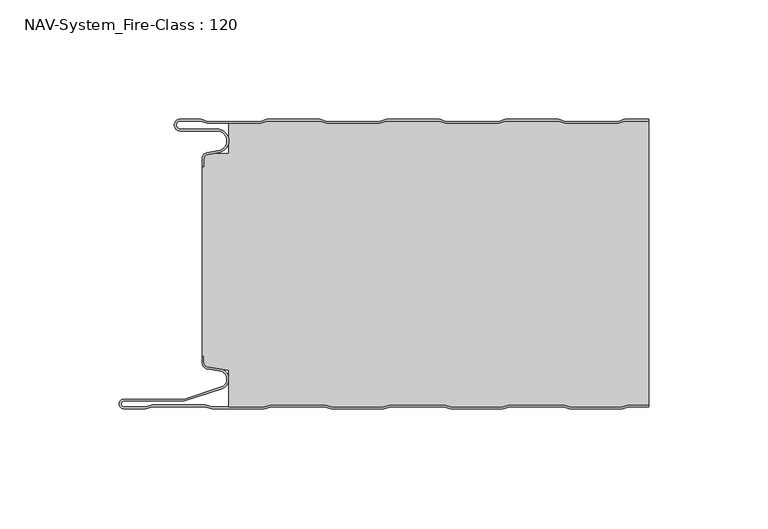
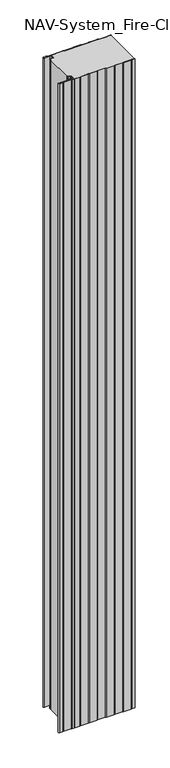
"""IFC4 building model written with IfcOpenShell, lengths in millimetres: plate geometry, NAV-System_Fire-Class : 120."""

from ifc_helpers import new_model, si_unit, frame, origin, place, context, project, spatial, polyline, circle_curve, source, transform, mapped, element, save
from ifc_brep_helpers import plane_surface, cylinder_surface, revolved_surface, advanced_brep


def nav_system_fire_class_120_cbdf3676(model_context):
    return source(origin(), model_context, "Body", "AdvancedBrep", [
        advanced_brep(
        [(-88.6298221, -0.8, 0.0), (-97.0000001, -0.8, 0.0), (-97.0000001, -4.1999999, 0.0), (-81.6002086, -4.1999999, 0.0), (-80.7423864, -14.0049502, 0.0), (-85.6125665, -14.8636946, 0.0), (-87.1000004, -16.6363494, 0.0), (-87.1000014, -19.9421291, 0.0), (-87.9000014, -19.9421291, 0.0), (-87.9000014, -16.6363484, 0.0), (-85.7514853, -14.0758488, 0.0), (-80.8813015, -13.217104, 0.0), (-81.600205, -4.9999999, 0.0), (-97.0000001, -4.9999999, 0.0), (-97.0000001, 0.0, 0.0), (-88.5, 0.0, 0.0), (-85.5, -1.0, 0.0), (-63.5, -1.0, 0.0), (-60.5, 0.0, 0.0), (-38.5, 0.0, 0.0), (-35.5, -1.0, 0.0), (-13.5, -1.0, 0.0), (-10.5, 0.0, 0.0), (11.5, 0.0, 0.0), (14.5, -1.0, 0.0), (36.5, -1.0, 0.0), (39.5, 0.0, 0.0), (61.5, 0.0, 0.0), (64.5, -1.0, 0.0), (86.5, -1.0, 0.0), (89.5, 0.0, 0.0), (99.5, 0.0, 0.0), (99.5, -0.8, 0.0), (89.6298221, -0.8, 0.0), (86.6298221, -1.8, 0.0), (64.3701779, -1.8, 0.0), (61.3701779, -0.8, 0.0), (39.6298221, -0.8, 0.0), (36.6298221, -1.8, 0.0), (14.3701779, -1.8, 0.0), (11.3701779, -0.8, 0.0), (-10.3701779, -0.8, 0.0), (-13.3701779, -1.8, 0.0), (-35.6298221, -1.8, 0.0), (-38.6298221, -0.8, 0.0), (-60.3701779, -0.8, 0.0), (-63.3701779, -1.8, 0.0), (-85.6298221, -1.8, 0.0), (-88.6298221, -0.8, 2000.0), (-85.6298221, -1.8, 2000.0), (-63.3701779, -1.8, 2000.0), (-60.3701779, -0.8, 2000.0), (-38.6298221, -0.8, 2000.0), (-35.6298221, -1.8, 2000.0), (-13.3701779, -1.8, 2000.0), (-10.3701779, -0.8, 2000.0), (11.3701779, -0.8, 2000.0), (14.3701779, -1.8, 2000.0), (36.6298221, -1.8, 2000.0), (39.6298221, -0.8, 2000.0), (61.3701779, -0.8, 2000.0), (64.3701779, -1.8, 2000.0), (86.6298221, -1.8, 2000.0), (89.6298221, -0.8, 2000.0), (99.5, -0.8, 2000.0), (99.5, 0.0, 2000.0), (89.5, 0.0, 2000.0), (86.5, -1.0, 2000.0), (64.5, -1.0, 2000.0), (61.5, 0.0, 2000.0), (39.5, 0.0, 2000.0), (36.5, -1.0, 2000.0), (14.5, -1.0, 2000.0), (11.5, 0.0, 2000.0), (-10.5, 0.0, 2000.0), (-13.5, -1.0, 2000.0), (-35.5, -1.0, 2000.0), (-38.5, 0.0, 2000.0), (-60.5, 0.0, 2000.0), (-63.5, -1.0, 2000.0), (-85.5, -1.0, 2000.0), (-88.5, 0.0, 2000.0), (-97.0000001, 0.0, 2000.0), (-97.0000001, -4.9999999, 2000.0), (-81.600205, -4.9999999, 2000.0), (-80.8813015, -13.217104, 2000.0), (-85.7514853, -14.0758488, 2000.0), (-87.8999997, -16.6363484, 2000.0), (-87.9000014, -19.9421291, 2000.0), (-87.1000014, -19.9421291, 2000.0), (-87.1000014, -16.6363494, 2000.0), (-85.6125665, -14.8636946, 2000.0), (-80.7423864, -14.0049502, 2000.0), (-81.6002086, -4.1999999, 2000.0), (-97.0000001, -4.1999999, 2000.0), (-97.0000001, -0.8000002, 2000.0)],
        [
            (0, 1),
            (1, 2, circle_curve(frame((-97.0000001, -2.5, 0.0), z_axis=(0.0, 0.0, 1.0), x_axis=(1.0, 0.0, 0.0)), 1.6999999)),
            (2, 3),
            (3, 4, circle_curve(frame((-81.6002086, -9.1399999, 0.0), z_axis=(0.0, 0.0, -1.0), x_axis=(1.0, 0.0, 0.0)), 4.94)),
            (4, 5),
            (5, 6, circle_curve(frame((-85.2999995, -16.6363494, 0.0), z_axis=(0.0, 0.0, 1.0), x_axis=(1.0, 0.0, 0.0)), 1.8000009)),
            (6, 7),
            (7, 8),
            (8, 9),
            (9, 10, circle_curve(frame((-85.3000002, -16.6363484, 0.0), z_axis=(0.0, 0.0, -1.0), x_axis=(1.0, 0.0, 0.0)), 2.5999995)),
            (10, 11),
            (11, 12, circle_curve(frame((-81.600205, -9.1399999, 0.0), z_axis=(0.0, 0.0, 1.0), x_axis=(1.0, 0.0, 0.0)), 4.14)),
            (12, 13),
            (13, 14, circle_curve(frame((-97.0000001, -2.4999999, 0.0), z_axis=(0.0, 0.0, -1.0), x_axis=(1.0, 0.0, 0.0)), 2.4999999)),
            (14, 15),
            (15, 16),
            (16, 17),
            (17, 18),
            (18, 19),
            (19, 20),
            (20, 21),
            (21, 22),
            (22, 23),
            (23, 24),
            (24, 25),
            (25, 26),
            (26, 27),
            (27, 28),
            (28, 29),
            (29, 30),
            (30, 31),
            (31, 32),
            (32, 33),
            (33, 34),
            (34, 35),
            (35, 36),
            (36, 37),
            (37, 38),
            (38, 39),
            (39, 40),
            (40, 41),
            (41, 42),
            (42, 43),
            (43, 44),
            (44, 45),
            (45, 46),
            (46, 47),
            (47, 0),
            (48, 49),
            (49, 50),
            (50, 51),
            (51, 52),
            (52, 53),
            (53, 54),
            (54, 55),
            (55, 56),
            (56, 57),
            (57, 58),
            (58, 59),
            (59, 60),
            (60, 61),
            (61, 62),
            (62, 63),
            (63, 64),
            (64, 65),
            (65, 66),
            (66, 67),
            (67, 68),
            (68, 69),
            (69, 70),
            (70, 71),
            (71, 72),
            (72, 73),
            (73, 74),
            (74, 75),
            (75, 76),
            (76, 77),
            (77, 78),
            (78, 79),
            (79, 80),
            (80, 81),
            (81, 82),
            (82, 83, circle_curve(frame((-97.0000001, -2.4999999, 2000.0), z_axis=(0.0, 0.0, 1.0), x_axis=(1.0, 0.0, 0.0)), 2.4999999)),
            (83, 84),
            (84, 85, circle_curve(frame((-81.600205, -9.1399999, 2000.0), z_axis=(0.0, 0.0, -1.0), x_axis=(1.0, 0.0, 0.0)), 4.14)),
            (85, 86),
            (86, 87, circle_curve(frame((-85.3000002, -16.6363484, 2000.0), z_axis=(0.0, 0.0, 1.0), x_axis=(1.0, 0.0, 0.0)), 2.5999995)),
            (87, 88),
            (88, 89),
            (89, 90),
            (90, 91, circle_curve(frame((-85.2999995, -16.6363494, 2000.0), z_axis=(0.0, 0.0, -1.0), x_axis=(1.0, 0.0, 0.0)), 1.8000009)),
            (91, 92),
            (92, 93, circle_curve(frame((-81.6002086, -9.1399999, 2000.0), z_axis=(0.0, 0.0, 1.0), x_axis=(1.0, 0.0, 0.0)), 4.94)),
            (93, 94),
            (94, 95, circle_curve(frame((-97.0000001, -2.5, 2000.0), z_axis=(0.0, 0.0, -1.0), x_axis=(1.0, 0.0, 0.0)), 1.6999999)),
            (95, 48),
            (0, 48),
            (95, 1),
            (14, 82),
            (81, 15),
            (63, 33),
            (32, 64),
            (62, 34),
            (61, 35),
            (60, 36),
            (59, 37),
            (58, 38),
            (57, 39),
            (56, 40),
            (55, 41),
            (54, 42),
            (53, 43),
            (52, 44),
            (51, 45),
            (50, 46),
            (49, 47),
            (80, 16),
            (79, 17),
            (78, 18),
            (77, 19),
            (76, 20),
            (75, 21),
            (74, 22),
            (73, 23),
            (72, 24),
            (71, 25),
            (70, 26),
            (69, 27),
            (68, 28),
            (67, 29),
            (66, 30),
            (65, 31),
            (2, 94),
            (93, 3),
            (6, 90),
            (89, 7),
            (88, 8),
            (87, 9),
            (12, 84),
            (83, 13),
            (92, 4),
            (91, 5),
            (86, 10),
            (85, 11),
        ],
        [
            plane_surface(frame((-99.5, 0.0, 0.0), z_axis=(0.0, 0.0, -1.0), x_axis=(0.0, -1.0, 0.0))),
            plane_surface(frame((-99.5, 0.0, 2000.0), z_axis=(0.0, 0.0, 1.0), x_axis=(0.0, -1.0, 0.0))),
            plane_surface(frame((-88.6298221, -0.8, 0.0), z_axis=(0.0, -1.0, 0.0), x_axis=(0.0, 0.0, 1.0))),
            plane_surface(frame((-97.0000001, 0.0, 0.0), z_axis=(0.0, 1.0, 0.0), x_axis=(0.0, 0.0, 1.0))),
            plane_surface(frame((111.3701779, -0.8, 0.0), z_axis=(0.0, -1.0, 0.0), x_axis=(0.0, 0.0, 1.0))),
            plane_surface(frame((89.6298221, -0.8, 0.0), z_axis=(0.3162277660167413, -0.9486832980505461, 0.0), x_axis=(0.0, 0.0, 1.0))),
            plane_surface(frame((86.6298221, -1.8, 0.0), z_axis=(0.0, -1.0, 0.0), x_axis=(0.0, 0.0, 1.0))),
            plane_surface(frame((64.3701779, -1.8, 0.0), z_axis=(-0.31622776601675356, -0.948683298050542, 0.0), x_axis=(0.0, 0.0, 1.0))),
            plane_surface(frame((61.3701779, -0.8, 0.0), z_axis=(0.0, -1.0, 0.0), x_axis=(0.0, 0.0, 1.0))),
            plane_surface(frame((39.6298221, -0.8, 0.0), z_axis=(0.31622776601679226, -0.9486832980505291, 0.0), x_axis=(0.0, 0.0, 1.0))),
            plane_surface(frame((36.6298221, -1.8, 0.0), z_axis=(0.0, -1.0, 0.0), x_axis=(0.0, 0.0, 1.0))),
            plane_surface(frame((14.3701779, -1.8, 0.0), z_axis=(-0.3162277660168045, -0.948683298050525, 0.0), x_axis=(0.0, 0.0, 1.0))),
            plane_surface(frame((11.3701779, -0.8, 0.0), z_axis=(0.0, -1.0, 0.0), x_axis=(0.0, 0.0, 1.0))),
            plane_surface(frame((-10.3701779, -0.8, 0.0), z_axis=(0.31622776601679226, -0.9486832980505291, 0.0), x_axis=(0.0, 0.0, 1.0))),
            plane_surface(frame((-13.3701779, -1.8, 0.0), z_axis=(0.0, -1.0, 0.0), x_axis=(0.0, 0.0, 1.0))),
            plane_surface(frame((-35.6298221, -1.8, 0.0), z_axis=(-0.3162277660168045, -0.948683298050525, 0.0), x_axis=(0.0, 0.0, 1.0))),
            plane_surface(frame((-38.6298221, -0.8, 0.0), z_axis=(0.0, -1.0, 0.0), x_axis=(0.0, 0.0, 1.0))),
            plane_surface(frame((-60.3701779, -0.8, 0.0), z_axis=(0.3162277660167413, -0.9486832980505461, 0.0), x_axis=(0.0, 0.0, 1.0))),
            plane_surface(frame((-63.3701779, -1.8, 0.0), z_axis=(0.0, -1.0, 0.0), x_axis=(0.0, 0.0, 1.0))),
            plane_surface(frame((-85.6298221, -1.8, 0.0), z_axis=(-0.3162277660167413, -0.9486832980505461, 0.0), x_axis=(0.0, 0.0, 1.0))),
            plane_surface(frame((-88.5, 0.0, 0.0), z_axis=(0.31622776601671865, 0.9486832980505536, 0.0), x_axis=(0.0, 0.0, 1.0))),
            plane_surface(frame((-85.5, -1.0, 0.0), z_axis=(0.0, 1.0, 0.0), x_axis=(0.0, 0.0, 1.0))),
            plane_surface(frame((-63.5, -1.0, 0.0), z_axis=(-0.31622776601671865, 0.9486832980505536, 0.0), x_axis=(0.0, 0.0, 1.0))),
            plane_surface(frame((-60.5, 0.0, 0.0), z_axis=(0.0, 1.0, 0.0), x_axis=(0.0, 0.0, 1.0))),
            plane_surface(frame((-38.5, 0.0, 0.0), z_axis=(0.31622776601678754, 0.9486832980505306, 0.0), x_axis=(0.0, 0.0, 1.0))),
            plane_surface(frame((-35.5, -1.0, 0.0), z_axis=(0.0, 1.0, 0.0), x_axis=(0.0, 0.0, 1.0))),
            plane_surface(frame((-13.5, -1.0, 0.0), z_axis=(-0.3162277660167752, 0.9486832980505348, 0.0), x_axis=(0.0, 0.0, 1.0))),
            plane_surface(frame((-10.5, 0.0, 0.0), z_axis=(0.0, 1.0, 0.0), x_axis=(0.0, 0.0, 1.0))),
            plane_surface(frame((11.5, 0.0, 0.0), z_axis=(0.31622776601678754, 0.9486832980505306, 0.0), x_axis=(0.0, 0.0, 1.0))),
            plane_surface(frame((14.5, -1.0, 0.0), z_axis=(0.0, 1.0, 0.0), x_axis=(0.0, 0.0, 1.0))),
            plane_surface(frame((36.5, -1.0, 0.0), z_axis=(-0.3162277660167752, 0.9486832980505348, 0.0), x_axis=(0.0, 0.0, 1.0))),
            plane_surface(frame((39.5, 0.0, 0.0), z_axis=(0.0, 1.0, 0.0), x_axis=(0.0, 0.0, 1.0))),
            plane_surface(frame((61.5, 0.0, 0.0), z_axis=(0.3162277660167309, 0.9486832980505495, 0.0), x_axis=(0.0, 0.0, 1.0))),
            plane_surface(frame((64.5, -1.0, 0.0), z_axis=(0.0, 1.0, 0.0), x_axis=(0.0, 0.0, 1.0))),
            plane_surface(frame((86.5, -1.0, 0.0), z_axis=(-0.31622776601671865, 0.9486832980505536, 0.0), x_axis=(0.0, 0.0, 1.0))),
            plane_surface(frame((89.5, 0.0, 0.0), z_axis=(0.0, 1.0, 0.0), x_axis=(0.0, 0.0, 1.0))),
            plane_surface(frame((-97.0000001, -4.1999999, 0.0), z_axis=(0.0, 1.0, 0.0), x_axis=(0.0, 0.0, 1.0))),
            plane_surface(frame((-87.1000014, -16.6363494, 0.0), z_axis=(1.0, 0.0, 0.0), x_axis=(0.0, 0.0, 1.0))),
            plane_surface(frame((-87.1000014, -19.9421291, 0.0), z_axis=(0.0, -1.0, 0.0), x_axis=(0.0, 0.0, 1.0))),
            plane_surface(frame((-87.9000014, -19.9421291, 0.0), z_axis=(-1.0, 0.0, 0.0), x_axis=(0.0, 0.0, 1.0))),
            plane_surface(frame((-81.600205, -4.9999999, 0.0), z_axis=(0.0, -1.0, 0.0), x_axis=(0.0, 0.0, 1.0))),
            revolved_surface(polyline([(-95.3000002, -2.5, 2000.0), (-95.3000002, -2.5, 0.0)]), (-97.0000001, -2.5, 0.0), (0.0, 0.0, 1.0)),
            cylinder_surface(frame((-81.6002086, -9.1399999, 0.0), z_axis=(0.0, 0.0, -1.0), x_axis=(1.0, 0.0, 0.0)), 4.94),
            plane_surface(frame((-80.7423864, -14.0049502, 0.0), z_axis=(0.17364822279076972, -0.9848077450556567, 0.0), x_axis=(0.0, 0.0, 1.0))),
            revolved_surface(polyline([(-83.4999986, -16.6363494, 2000.0), (-83.4999986, -16.6363494, 0.0)]), (-85.2999995, -16.6363494, 0.0), (0.0, 0.0, 1.0)),
            cylinder_surface(frame((-85.3000002, -16.6363484, 0.0), z_axis=(0.0, 0.0, -1.0), x_axis=(1.0, 0.0, 0.0)), 2.5999995),
            plane_surface(frame((-85.7514853, -14.0758488, 0.0), z_axis=(-0.17364817295915452, 0.984807753842316, 0.0), x_axis=(0.0, 0.0, 1.0))),
            revolved_surface(polyline([(-77.460205, -9.1399999, 2000.0), (-77.460205, -9.1399999, 0.0)]), (-81.600205, -9.1399999, 0.0), (0.0, 0.0, 1.0)),
            cylinder_surface(frame((-97.0000001, -2.4999999, 0.0), z_axis=(0.0, 0.0, -1.0), x_axis=(1.0, 0.0, 0.0)), 2.4999999),
            plane_surface(frame((99.5, 100.0, 2000.0), z_axis=(1.0, 0.0, 0.0), x_axis=(0.0, 0.0, -1.0))),
        ],
        [
            (0, [[1, 2, 3, 4, 5, 6, 7, 8, 9, 10, 11, 12, 13, 14, 15, 16, 17, 18, 19, 20, 21, 22, 23, 24, 25, 26, 27, 28, 29, 30, 31, 32, 33, 34, 35, 36, 37, 38, 39, 40, 41, 42, 43, 44, 45, 46, 47, 48]]),
            (1, [[49, 50, 51, 52, 53, 54, 55, 56, 57, 58, 59, 60, 61, 62, 63, 64, 65, 66, 67, 68, 69, 70, 71, 72, 73, 74, 75, 76, 77, 78, 79, 80, 81, 82, 83, 84, 85, 86, 87, 88, 89, 90, 91, 92, 93, 94, 95, 96]]),
            (2, [[-1, 97, -96, 98]]),
            (3, [[-15, 99, -82, 100]]),
            (4, [[101, -33, 102, -64]]),
            (5, [[-34, -101, -63, 103]]),
            (6, [[-35, -103, -62, 104]]),
            (7, [[-36, -104, -61, 105]]),
            (8, [[-37, -105, -60, 106]]),
            (9, [[-38, -106, -59, 107]]),
            (10, [[-39, -107, -58, 108]]),
            (11, [[-40, -108, -57, 109]]),
            (12, [[-41, -109, -56, 110]]),
            (13, [[-42, -110, -55, 111]]),
            (14, [[-43, -111, -54, 112]]),
            (15, [[-44, -112, -53, 113]]),
            (16, [[-45, -113, -52, 114]]),
            (17, [[-46, -114, -51, 115]]),
            (18, [[-47, -115, -50, 116]]),
            (19, [[-48, -116, -49, -97]]),
            (20, [[-16, -100, -81, 117]]),
            (21, [[-17, -117, -80, 118]]),
            (22, [[-18, -118, -79, 119]]),
            (23, [[-19, -119, -78, 120]]),
            (24, [[-20, -120, -77, 121]]),
            (25, [[-21, -121, -76, 122]]),
            (26, [[-22, -122, -75, 123]]),
            (27, [[-23, -123, -74, 124]]),
            (28, [[-24, -124, -73, 125]]),
            (29, [[-25, -125, -72, 126]]),
            (30, [[-26, -126, -71, 127]]),
            (31, [[-27, -127, -70, 128]]),
            (32, [[-28, -128, -69, 129]]),
            (33, [[-29, -129, -68, 130]]),
            (34, [[-30, -130, -67, 131]]),
            (35, [[-131, -66, 132, -31]]),
            (36, [[-3, 133, -94, 134]]),
            (37, [[-7, 135, -90, 136]]),
            (38, [[-8, -136, -89, 137]]),
            (39, [[-9, -137, -88, 138]]),
            (40, [[-13, 139, -84, 140]]),
            (41, [[-2, -98, -95, -133]]),
            (42, [[-4, -134, -93, 141]]),
            (43, [[-5, -141, -92, 142]]),
            (44, [[-6, -142, -91, -135]]),
            (45, [[-10, -138, -87, 143]]),
            (46, [[-11, -143, -86, 144]]),
            (47, [[-12, -144, -85, -139]]),
            (48, [[-14, -140, -83, -99]]),
            (49, [[-32, -132, -65, -102]]),
        ],
    ),
        advanced_brep(
        [(89.6181262, -0.8, 2000.0), (86.6181262, -1.8, 2000.0), (64.3584819, -1.8, 2000.0), (61.3584819, -0.8, 2000.0), (39.6181262, -0.8, 2000.0), (36.6181262, -1.8, 2000.0), (14.3584819, -1.8, 2000.0), (11.3584819, -0.8, 2000.0), (-10.3818738, -0.8, 2000.0), (-13.3818738, -1.8, 2000.0), (-35.6415181, -1.8, 2000.0), (-38.6415181, -0.8, 2000.0), (-60.3818738, -0.8, 2000.0), (-63.3818738, -1.8, 2000.0), (-76.6719045, -1.8, 2000.0), (-76.6719045, -14.4343223, 2000.0), (-83.1891722, -14.4343223, 2000.0), (-85.6242625, -14.8636946, 2000.0), (-87.1116964, -16.636349, 2000.0), (-87.1116974, -19.9512003, 2000.0), (-87.9116974, -19.9512003, 2000.0), (-87.9116974, -99.3983656, 2000.0), (-87.1116974, -99.3983656, 2000.0), (-87.1116974, -102.1656409, 2000.0), (-85.4245663, -104.1410176, 2000.0), (-76.6248082, -105.5347623, 2000.0), (-76.6248082, -120.8, 2000.0), (-61.8218295, -120.8, 2000.0), (-58.7610803, -120.0, 2000.0), (-36.5891849, -120.0, 2000.0), (-33.5284357, -120.8, 2000.0), (-11.8218295, -120.8, 2000.0), (-8.7610803, -120.0, 2000.0), (13.4108151, -120.0, 2000.0), (16.4715643, -120.8, 2000.0), (38.1904, -120.8, 2000.0), (41.2511493, -120.0, 2000.0), (63.4108151, -120.0, 2000.0), (66.4715643, -120.8, 2000.0), (88.1781705, -120.8, 2000.0), (91.2389197, -120.0, 2000.0), (99.5, -120.0, 2000.0), (99.5, -0.8, 2000.0), (91.2389197, -120.0, 0.0), (88.1781705, -120.8, 0.0), (66.4715643, -120.8, 0.0), (63.4108151, -120.0, 0.0), (41.2511493, -120.0, 0.0), (38.1904, -120.8, 0.0), (16.4715643, -120.8, 0.0), (13.4108151, -120.0, 0.0), (-8.7610803, -120.0, 0.0), (-11.8218295, -120.8, 0.0), (-33.5284357, -120.8, 0.0), (-36.5891849, -120.0, 0.0), (-58.7610803, -120.0, 0.0), (-61.8218295, -120.8, 0.0), (-76.6248082, -120.8, 0.0), (-76.6248082, -105.5347623, 0.0), (-85.4245663, -104.1410176, 0.0), (-87.1116974, -102.1656409, 0.0), (-87.1116974, -99.3983656, 0.0), (-87.9116974, -99.3983656, 0.0), (-87.9116974, -19.9512003, 0.0), (-87.1116974, -19.9512003, 0.0), (-87.1116974, -16.636349, 0.0), (-85.6242625, -14.8636946, 0.0), (-83.1891722, -14.4343223, 0.0), (-76.6719045, -14.4343223, 0.0), (-76.6719045, -1.8, 0.0), (-63.3818738, -1.8, 0.0), (-60.3818738, -0.8, 0.0), (-38.6415181, -0.8, 0.0), (-35.6415181, -1.8, 0.0), (-13.3818738, -1.8, 0.0), (-10.3818738, -0.8, 0.0), (11.3584819, -0.8, 0.0), (14.3584819, -1.8, 0.0), (36.6181262, -1.8, 0.0), (39.6181262, -0.8, 0.0), (61.3584819, -0.8, 0.0), (64.3584819, -1.8, 0.0), (86.6181262, -1.8, 0.0), (89.6181262, -0.8, 0.0), (99.5, -0.8, 0.0), (99.5, -120.0, 0.0)],
        [
            (0, 1),
            (1, 2),
            (2, 3),
            (3, 4),
            (4, 5),
            (5, 6),
            (6, 7),
            (7, 8),
            (8, 9),
            (9, 10),
            (10, 11),
            (11, 12),
            (12, 13),
            (13, 14),
            (14, 15),
            (15, 16),
            (16, 17),
            (17, 18, circle_curve(frame((-85.3116955, -16.6363494, 2000.0), z_axis=(0.0, 0.0, 1.0), x_axis=(1.0, 0.0, 0.0)), 1.8000009)),
            (18, 19),
            (19, 20),
            (20, 21),
            (21, 22),
            (22, 23),
            (23, 24, circle_curve(frame((-85.1116974, -102.1656409, 2000.0), z_axis=(0.0, 0.0, 1.0), x_axis=(1.0, 0.0, 0.0)), 2.0)),
            (24, 25),
            (25, 26),
            (26, 27),
            (27, 28),
            (28, 29),
            (29, 30),
            (30, 31),
            (31, 32),
            (32, 33),
            (33, 34),
            (34, 35),
            (35, 36),
            (36, 37),
            (37, 38),
            (38, 39),
            (39, 40),
            (40, 41),
            (41, 42),
            (42, 0),
            (43, 44),
            (44, 45),
            (45, 46),
            (46, 47),
            (47, 48),
            (48, 49),
            (49, 50),
            (50, 51),
            (51, 52),
            (52, 53),
            (53, 54),
            (54, 55),
            (55, 56),
            (56, 57),
            (57, 58),
            (58, 59),
            (59, 60, circle_curve(frame((-85.1116974, -102.1656409, 0.0), z_axis=(0.0, 0.0, -1.0), x_axis=(1.0, 0.0, 0.0)), 2.0)),
            (60, 61),
            (61, 62),
            (62, 63),
            (63, 64),
            (64, 65),
            (65, 66, circle_curve(frame((-85.3116955, -16.6363494, 0.0), z_axis=(0.0, 0.0, -1.0), x_axis=(1.0, 0.0, 0.0)), 1.8000009)),
            (66, 67),
            (67, 68),
            (68, 69),
            (69, 70),
            (70, 71),
            (71, 72),
            (72, 73),
            (73, 74),
            (74, 75),
            (75, 76),
            (76, 77),
            (77, 78),
            (78, 79),
            (79, 80),
            (80, 81),
            (81, 82),
            (82, 83),
            (83, 84),
            (84, 85),
            (85, 43),
            (83, 0),
            (42, 84),
            (82, 1),
            (81, 2),
            (80, 3),
            (79, 4),
            (78, 5),
            (77, 6),
            (76, 7),
            (75, 8),
            (74, 9),
            (73, 10),
            (72, 11),
            (71, 12),
            (70, 13),
            (69, 14),
            (68, 15),
            (67, 16),
            (66, 17),
            (65, 18),
            (64, 19),
            (63, 20),
            (62, 21),
            (61, 22),
            (60, 23),
            (59, 24),
            (58, 25),
            (57, 26),
            (56, 27),
            (55, 28),
            (54, 29),
            (53, 30),
            (52, 31),
            (51, 32),
            (50, 33),
            (49, 34),
            (48, 35),
            (47, 36),
            (46, 37),
            (45, 38),
            (44, 39),
            (43, 40),
            (85, 41),
        ],
        [
            plane_surface(frame((-99.5, 0.0, 2000.0), z_axis=(0.0, 0.0, 1.0), x_axis=(0.0, -1.0, 0.0))),
            plane_surface(frame((-99.5, 0.0, 0.0), z_axis=(0.0, 0.0, -1.0), x_axis=(0.0, -1.0, 0.0))),
            plane_surface(frame((111.3584819, -0.8, 2000.0), z_axis=(0.0, 1.0, 0.0), x_axis=(0.0, 0.0, -1.0))),
            plane_surface(frame((89.6181262, -0.8, 2000.0), z_axis=(-0.31622776601684405, 0.9486832980505119, 0.0), x_axis=(0.0, 0.0, -1.0))),
            plane_surface(frame((86.6181262, -1.8, 2000.0), z_axis=(0.0, 1.0, 0.0), x_axis=(0.0, 0.0, -1.0))),
            plane_surface(frame((64.3584819, -1.8, 2000.0), z_axis=(0.3162277660164755, 0.9486832980506347, 0.0), x_axis=(0.0, 0.0, -1.0))),
            plane_surface(frame((61.3584819, -0.8, 2000.0), z_axis=(0.0, 1.0, 0.0), x_axis=(0.0, 0.0, -1.0))),
            plane_surface(frame((39.6181262, -0.8, 2000.0), z_axis=(-0.3162277660169692, 0.94868329805047, 0.0), x_axis=(0.0, 0.0, -1.0))),
            plane_surface(frame((36.6181262, -1.8, 2000.0), z_axis=(0.0, 1.0, 0.0), x_axis=(0.0, 0.0, -1.0))),
            plane_surface(frame((14.3584819, -1.8, 2000.0), z_axis=(0.31622776601655256, 0.948683298050609, 0.0), x_axis=(0.0, 0.0, -1.0))),
            plane_surface(frame((11.3584819, -0.8, 2000.0), z_axis=(0.0, 1.0, 0.0), x_axis=(0.0, 0.0, -1.0))),
            plane_surface(frame((-10.3818738, -0.8, 2000.0), z_axis=(-0.31622776601696284, 0.9486832980504722, 0.0), x_axis=(0.0, 0.0, -1.0))),
            plane_surface(frame((-13.3818738, -1.8, 2000.0), z_axis=(0.0, 1.0, 0.0), x_axis=(0.0, 0.0, -1.0))),
            plane_surface(frame((-35.6415181, -1.8, 2000.0), z_axis=(0.31622776601661995, 0.9486832980505865, 0.0), x_axis=(0.0, 0.0, -1.0))),
            plane_surface(frame((-38.6415181, -0.8, 2000.0), z_axis=(0.0, 1.0, 0.0), x_axis=(0.0, 0.0, -1.0))),
            plane_surface(frame((-60.3818738, -0.8, 2000.0), z_axis=(-0.3162277660168055, 0.9486832980505246, 0.0), x_axis=(0.0, 0.0, -1.0))),
            plane_surface(frame((-63.3818738, -1.8, 2000.0), z_axis=(0.0, 1.0, 0.0), x_axis=(0.0, 0.0, -1.0))),
            plane_surface(frame((-76.6719045, -1.8, 2000.0), z_axis=(-1.0, 0.0, 0.0), x_axis=(0.0, 0.0, -1.0))),
            plane_surface(frame((-76.6719045, -14.4343223, 2000.0), z_axis=(0.0, 1.0, 0.0), x_axis=(0.0, 0.0, -1.0))),
            plane_surface(frame((-83.1891722, -14.4343223, 2000.0), z_axis=(-0.17364822279077605, 0.9848077450556556, 0.0), x_axis=(0.0, 0.0, -1.0))),
            cylinder_surface(frame((-85.3116955, -16.6363494, 2000.0), z_axis=(0.0, 0.0, 1.0), x_axis=(1.0, 0.0, 0.0)), 1.8000009),
            plane_surface(frame((-87.1116974, -16.636349, 2000.0), z_axis=(-1.0, 0.0, 0.0), x_axis=(0.0, 0.0, -1.0))),
            plane_surface(frame((-87.1116974, -19.9512003, 2000.0), z_axis=(0.0, 1.0, 0.0), x_axis=(0.0, 0.0, -1.0))),
            plane_surface(frame((-87.9116974, -19.9512003, 2000.0), z_axis=(-1.0, 0.0, 0.0), x_axis=(0.0, 0.0, -1.0))),
            plane_surface(frame((-87.9116974, -99.3983656, 2000.0), z_axis=(0.0, -1.0, 0.0), x_axis=(0.0, 0.0, -1.0))),
            plane_surface(frame((-87.1116974, -99.3983656, 2000.0), z_axis=(-1.0, 0.0, 0.0), x_axis=(0.0, 0.0, -1.0))),
            cylinder_surface(frame((-85.1116974, -102.1656409, 2000.0), z_axis=(0.0, 0.0, 1.0), x_axis=(1.0, 0.0, 0.0)), 2.0),
            plane_surface(frame((-85.4245663, -104.1410176, 2000.0), z_axis=(-0.15643446503999625, -0.987688340595175, 0.0), x_axis=(0.0, 0.0, -1.0))),
            plane_surface(frame((-76.6248082, -105.5347623, 2000.0), z_axis=(-1.0, 0.0, 0.0), x_axis=(0.0, 0.0, -1.0))),
            plane_surface(frame((-76.6248082, -120.8, 2000.0), z_axis=(0.0, -1.0, 0.0), x_axis=(0.0, 0.0, -1.0))),
            plane_surface(frame((-61.8218295, -120.8, 2000.0), z_axis=(0.25287873100818337, -0.9674979831522601, 0.0), x_axis=(0.0, 0.0, -1.0))),
            plane_surface(frame((-58.7610803, -120.0, 2000.0), z_axis=(0.0, -1.0, 0.0), x_axis=(0.0, 0.0, -1.0))),
            plane_surface(frame((-36.5891849, -120.0, 2000.0), z_axis=(-0.25287873100938985, -0.9674979831519447, 0.0), x_axis=(0.0, 0.0, -1.0))),
            plane_surface(frame((-33.5284357, -120.8, 2000.0), z_axis=(0.0, -1.0, 0.0), x_axis=(0.0, 0.0, -1.0))),
            plane_surface(frame((-11.8218295, -120.8, 2000.0), z_axis=(0.2528787310082863, -0.9674979831522332, 0.0), x_axis=(0.0, 0.0, -1.0))),
            plane_surface(frame((-8.7610803, -120.0, 2000.0), z_axis=(0.0, -1.0, 0.0), x_axis=(0.0, 0.0, -1.0))),
            plane_surface(frame((13.4108151, -120.0, 2000.0), z_axis=(-0.25287873100843145, -0.9674979831521953, 0.0), x_axis=(0.0, 0.0, -1.0))),
            plane_surface(frame((16.4715643, -120.8, 2000.0), z_axis=(0.0, -1.0, 0.0), x_axis=(0.0, 0.0, -1.0))),
            plane_surface(frame((38.1904, -120.8, 2000.0), z_axis=(0.2528787310081133, -0.9674979831522784, 0.0), x_axis=(0.0, 0.0, -1.0))),
            plane_surface(frame((41.2511493, -120.0, 2000.0), z_axis=(0.0, -1.0, 0.0), x_axis=(0.0, 0.0, -1.0))),
            plane_surface(frame((63.4108151, -120.0, 2000.0), z_axis=(-0.25287873100834907, -0.9674979831522168, 0.0), x_axis=(0.0, 0.0, -1.0))),
            plane_surface(frame((66.4715643, -120.8, 2000.0), z_axis=(0.0, -1.0, 0.0), x_axis=(0.0, 0.0, -1.0))),
            plane_surface(frame((88.1781705, -120.8, 2000.0), z_axis=(0.2528787310082685, -0.9674979831522379, 0.0), x_axis=(0.0, 0.0, -1.0))),
            plane_surface(frame((91.2389197, -120.0, 2000.0), z_axis=(0.0, -1.0, 0.0), x_axis=(0.0, 0.0, -1.0))),
            plane_surface(frame((99.5, 100.0, 2000.0), z_axis=(1.0, 0.0, 0.0), x_axis=(0.0, 0.0, -1.0))),
        ],
        [
            (0, [[1, 2, 3, 4, 5, 6, 7, 8, 9, 10, 11, 12, 13, 14, 15, 16, 17, 18, 19, 20, 21, 22, 23, 24, 25, 26, 27, 28, 29, 30, 31, 32, 33, 34, 35, 36, 37, 38, 39, 40, 41, 42, 43]]),
            (1, [[44, 45, 46, 47, 48, 49, 50, 51, 52, 53, 54, 55, 56, 57, 58, 59, 60, 61, 62, 63, 64, 65, 66, 67, 68, 69, 70, 71, 72, 73, 74, 75, 76, 77, 78, 79, 80, 81, 82, 83, 84, 85, 86]]),
            (2, [[87, -43, 88, -84]]),
            (3, [[-1, -87, -83, 89]]),
            (4, [[-2, -89, -82, 90]]),
            (5, [[-3, -90, -81, 91]]),
            (6, [[-4, -91, -80, 92]]),
            (7, [[-5, -92, -79, 93]]),
            (8, [[-6, -93, -78, 94]]),
            (9, [[-7, -94, -77, 95]]),
            (10, [[-8, -95, -76, 96]]),
            (11, [[-9, -96, -75, 97]]),
            (12, [[-10, -97, -74, 98]]),
            (13, [[-11, -98, -73, 99]]),
            (14, [[-12, -99, -72, 100]]),
            (15, [[-13, -100, -71, 101]]),
            (16, [[-14, -101, -70, 102]]),
            (17, [[-15, -102, -69, 103]]),
            (18, [[-16, -103, -68, 104]]),
            (19, [[-17, -104, -67, 105]]),
            (20, [[-18, -105, -66, 106]]),
            (21, [[-19, -106, -65, 107]]),
            (22, [[-20, -107, -64, 108]]),
            (23, [[-21, -108, -63, 109]]),
            (24, [[-22, -109, -62, 110]]),
            (25, [[-23, -110, -61, 111]]),
            (26, [[-24, -111, -60, 112]]),
            (27, [[-25, -112, -59, 113]]),
            (28, [[-26, -113, -58, 114]]),
            (29, [[-27, -114, -57, 115]]),
            (30, [[-28, -115, -56, 116]]),
            (31, [[-29, -116, -55, 117]]),
            (32, [[-30, -117, -54, 118]]),
            (33, [[-31, -118, -53, 119]]),
            (34, [[-32, -119, -52, 120]]),
            (35, [[-33, -120, -51, 121]]),
            (36, [[-34, -121, -50, 122]]),
            (37, [[-35, -122, -49, 123]]),
            (38, [[-36, -123, -48, 124]]),
            (39, [[-37, -124, -47, 125]]),
            (40, [[-38, -125, -46, 126]]),
            (41, [[-39, -126, -45, 127]]),
            (42, [[-40, -127, -44, 128]]),
            (43, [[-128, -86, 129, -41]]),
            (44, [[-42, -129, -85, -88]]),
        ],
    ),
        advanced_brep(
        [(91.239397, -120.0, 2000.0), (88.1786477, -120.8, 2000.0), (66.4720416, -120.8, 2000.0), (63.4112923, -120.0, 2000.0), (41.2516265, -120.0, 2000.0), (38.1908772, -120.8, 2000.0), (16.4720416, -120.8, 2000.0), (13.4112923, -120.0, 2000.0), (-8.760603, -120.0, 2000.0), (-11.8213523, -120.8, 2000.0), (-33.5279584, -120.8, 2000.0), (-36.5887077, -120.0, 2000.0), (-58.760603, -120.0, 2000.0), (-61.8213523, -120.8, 2000.0), (-83.5279584, -120.8, 2000.0), (-86.5887077, -120.0, 2000.0), (-108.760603, -120.0, 2000.0), (-111.8190206, -120.7993906, 2000.0), (-120.7154182, -120.7993906, 2000.0), (-120.6771783, -118.4000003, 2000.0), (-95.3414726, -118.4000003, 2000.0), (-79.6231923, -113.2926893, 2000.0), (-80.2358126, -104.9629887, 2000.0), (-85.4240891, -104.1412465, 2000.0), (-87.1112201, -102.1658698, 2000.0), (-87.1112201, -99.3985945, 2000.0), (-87.9112201, -99.3985945, 2000.0), (-87.9112201, -102.1658698, 2000.0), (-85.5140582, -104.93674, 2000.0), (-80.4044746, -105.7460185, 2000.0), (-79.8704103, -112.5316172, 2000.0), (-95.4681798, -117.6000003, 2000.0), (-120.6771783, -117.6000003, 2000.0), (-120.726556, -121.5993906, 2000.0), (-111.7161981, -121.5993906, 2000.0), (-108.6577806, -120.8, 2000.0), (-86.6915302, -120.8, 2000.0), (-83.6307809, -121.6, 2000.0), (-61.7185298, -121.6, 2000.0), (-58.6577806, -120.8, 2000.0), (-36.6915302, -120.8, 2000.0), (-33.6307809, -121.6, 2000.0), (-11.7185298, -121.6, 2000.0), (-8.6577806, -120.8, 2000.0), (13.3084698, -120.8, 2000.0), (16.3692191, -121.6, 2000.0), (38.2936997, -121.6, 2000.0), (41.354449, -120.8, 2000.0), (63.3084698, -120.8, 2000.0), (66.3692191, -121.6, 2000.0), (88.2814702, -121.6, 2000.0), (91.3422194, -120.8, 2000.0), (99.5, -120.8, 2000.0), (99.5, -120.0, 2000.0), (91.3422194, -120.8, 0.0), (88.2814702, -121.6, 0.0), (66.3692191, -121.6, 0.0), (63.3084698, -120.8, 0.0), (41.354449, -120.8, 0.0), (38.2936997, -121.6, 0.0), (16.3692191, -121.6, 0.0), (13.3084698, -120.8, 0.0), (-8.6577806, -120.8, 0.0), (-11.7185298, -121.6, 0.0), (-33.6307809, -121.6, 0.0), (-36.6915302, -120.8, 0.0), (-58.6577806, -120.8, 0.0), (-61.7185298, -121.6, 0.0), (-83.6307809, -121.6, 0.0), (-86.6915302, -120.8, 0.0), (-108.6577806, -120.8, 0.0), (-111.7161981, -121.5993906, 0.0), (-120.726556, -121.5993906, 0.0), (-120.6771783, -117.6000003, 0.0), (-95.4681798, -117.6000003, 0.0), (-79.8704103, -112.5318461, 0.0), (-80.4044746, -105.7460185, 0.0), (-85.5140582, -104.93674, 0.0), (-87.9112201, -102.1658698, 0.0), (-87.9112201, -99.3985945, 0.0), (-87.1112201, -99.3985945, 0.0), (-87.1112201, -102.1658698, 0.0), (-85.4240891, -104.1412465, 0.0), (-80.2358126, -104.9629887, 0.0), (-79.6231923, -113.2924604, 0.0), (-95.3414726, -118.4000003, 0.0), (-120.6771783, -118.4000003, 0.0), (-120.7154182, -120.7993906, 0.0), (-111.8190206, -120.7993906, 0.0), (-108.760603, -120.0, 0.0), (-86.5887077, -120.0, 0.0), (-83.5279584, -120.8, 0.0), (-61.8213523, -120.8, 0.0), (-58.760603, -120.0, 0.0), (-36.5887077, -120.0, 0.0), (-33.5279584, -120.8, 0.0), (-11.8213523, -120.8, 0.0), (-8.760603, -120.0, 0.0), (13.4112923, -120.0, 0.0), (16.4720416, -120.8, 0.0), (38.1908772, -120.8, 0.0), (41.2516265, -120.0, 0.0), (63.4112923, -120.0, 0.0), (66.4720416, -120.8, 0.0), (88.1786477, -120.8, 0.0), (91.239397, -120.0, 0.0), (99.5, -120.0, 0.0), (99.5, -120.8, 0.0)],
        [
            (0, 1),
            (1, 2),
            (2, 3),
            (3, 4),
            (4, 5),
            (5, 6),
            (6, 7),
            (7, 8),
            (8, 9),
            (9, 10),
            (10, 11),
            (11, 12),
            (12, 13),
            (13, 14),
            (14, 15),
            (15, 16),
            (16, 17),
            (17, 18),
            (18, 19, circle_curve(frame((-120.6771783, -119.6000001, 2000.0), z_axis=(0.0, 0.0, -1.0), x_axis=(1.0, 0.0, 0.0)), 1.1999999)),
            (19, 20),
            (20, 21),
            (21, 22, circle_curve(frame((-80.9519964, -109.2029275, 2000.0), z_axis=(0.0, 0.0, 1.0), x_axis=(1.0, 0.0, 0.0)), 4.3)),
            (22, 23),
            (23, 24, circle_curve(frame((-85.1112201, -102.1658698, 2000.0), z_axis=(0.0, 0.0, -1.0), x_axis=(1.0, 0.0, 0.0)), 2.0)),
            (24, 25),
            (25, 26),
            (26, 27),
            (27, 28, circle_curve(frame((-85.1112201, -102.1658698, 2000.0), z_axis=(0.0, 0.0, 1.0), x_axis=(1.0, 0.0, 0.0)), 2.8)),
            (28, 29),
            (29, 30, circle_curve(frame((-80.9519952, -109.2029277, 2000.0), z_axis=(0.0, 0.0, -1.0), x_axis=(1.0, 0.0, 0.0)), 3.5)),
            (30, 31),
            (31, 32),
            (32, 33, circle_curve(frame((-120.6771783, -119.6000003, 2000.0), z_axis=(0.0, 0.0, 1.0), x_axis=(1.0, 0.0, 0.0)), 1.9999999)),
            (33, 34),
            (34, 35),
            (35, 36),
            (36, 37),
            (37, 38),
            (38, 39),
            (39, 40),
            (40, 41),
            (41, 42),
            (42, 43),
            (43, 44),
            (44, 45),
            (45, 46),
            (46, 47),
            (47, 48),
            (48, 49),
            (49, 50),
            (50, 51),
            (51, 52),
            (52, 53),
            (53, 0),
            (54, 55),
            (55, 56),
            (56, 57),
            (57, 58),
            (58, 59),
            (59, 60),
            (60, 61),
            (61, 62),
            (62, 63),
            (63, 64),
            (64, 65),
            (65, 66),
            (66, 67),
            (67, 68),
            (68, 69),
            (69, 70),
            (70, 71),
            (71, 72),
            (72, 73, circle_curve(frame((-120.6771783, -119.6000003, 0.0), z_axis=(0.0, 0.0, -1.0), x_axis=(1.0, 0.0, 0.0)), 1.9999999)),
            (73, 74),
            (74, 75),
            (75, 76, circle_curve(frame((-80.9519952, -109.2029277, 0.0), z_axis=(0.0, 0.0, 1.0), x_axis=(1.0, 0.0, 0.0)), 3.5)),
            (76, 77),
            (77, 78, circle_curve(frame((-85.1112201, -102.1658698, 0.0), z_axis=(0.0, 0.0, -1.0), x_axis=(1.0, 0.0, 0.0)), 2.8)),
            (78, 79),
            (79, 80),
            (80, 81),
            (81, 82, circle_curve(frame((-85.1112201, -102.1658698, 0.0), z_axis=(0.0, 0.0, 1.0), x_axis=(1.0, 0.0, 0.0)), 2.0)),
            (82, 83),
            (83, 84, circle_curve(frame((-80.9519964, -109.2029275, 0.0), z_axis=(0.0, 0.0, -1.0), x_axis=(1.0, 0.0, 0.0)), 4.3)),
            (84, 85),
            (85, 86),
            (86, 87, circle_curve(frame((-120.6771783, -119.6000001, 0.0), z_axis=(0.0, 0.0, 1.0), x_axis=(1.0, 0.0, 0.0)), 1.1999999)),
            (87, 88),
            (88, 89),
            (89, 90),
            (90, 91),
            (91, 92),
            (92, 93),
            (93, 94),
            (94, 95),
            (95, 96),
            (96, 97),
            (97, 98),
            (98, 99),
            (99, 100),
            (100, 101),
            (101, 102),
            (102, 103),
            (103, 104),
            (104, 105),
            (105, 106),
            (106, 107),
            (107, 54),
            (17, 88),
            (87, 18),
            (86, 19),
            (85, 20),
            (84, 21),
            (22, 83),
            (82, 23),
            (81, 24),
            (80, 25),
            (79, 26),
            (78, 27),
            (77, 28),
            (30, 75),
            (74, 31),
            (73, 32),
            (72, 33),
            (71, 34),
            (105, 0),
            (53, 106),
            (104, 1),
            (103, 2),
            (102, 3),
            (101, 4),
            (100, 5),
            (99, 6),
            (98, 7),
            (97, 8),
            (96, 9),
            (95, 10),
            (94, 11),
            (93, 12),
            (92, 13),
            (91, 14),
            (90, 15),
            (89, 16),
            (76, 29),
            (70, 35),
            (69, 36),
            (68, 37),
            (67, 38),
            (66, 39),
            (65, 40),
            (64, 41),
            (63, 42),
            (62, 43),
            (61, 44),
            (60, 45),
            (59, 46),
            (58, 47),
            (57, 48),
            (56, 49),
            (55, 50),
            (54, 51),
            (107, 52),
        ],
        [
            plane_surface(frame((-99.5, -121.6, 2000.0), z_axis=(0.0, 0.0, 1.0), x_axis=(-1.0, 0.0, 0.0))),
            plane_surface(frame((-99.5, -121.6, 0.0), z_axis=(0.0, 0.0, -1.0), x_axis=(-1.0, 0.0, 0.0))),
            plane_surface(frame((-111.8190206, -120.7993906, 2000.0), z_axis=(0.0, 1.0, 0.0), x_axis=(0.0, 0.0, -1.0))),
            revolved_surface(polyline([(-119.4771784, -119.6000001, 0.0), (-119.4771784, -119.6000001, 2000.0)]), (-120.6771783, -119.6000001, 2000.0), (0.0, 0.0, -1.0)),
            plane_surface(frame((-120.6771783, -118.4000003, 2000.0), z_axis=(0.0, -1.0, 0.0), x_axis=(0.0, 0.0, -1.0))),
            plane_surface(frame((-95.3414726, -118.4000003, 2000.0), z_axis=(0.30902422182651945, -0.9510541679234229, 0.0), x_axis=(0.0, 0.0, -1.0))),
            plane_surface(frame((-80.2358126, -104.9629887, 2000.0), z_axis=(0.15643446504003203, 0.9876883405951694, 0.0), x_axis=(0.0, 0.0, -1.0))),
            revolved_surface(polyline([(-83.1112201, -102.1658698, 0.0), (-83.1112201, -102.1658698, 2000.0)]), (-85.1112201, -102.1658698, 2000.0), (0.0, 0.0, -1.0)),
            plane_surface(frame((-87.1112201, -102.1658698, 2000.0), z_axis=(1.0, 0.0, 0.0), x_axis=(0.0, 0.0, -1.0))),
            plane_surface(frame((-87.1112201, -99.3985945, 2000.0), z_axis=(0.0, 1.0, 0.0), x_axis=(0.0, 0.0, -1.0))),
            plane_surface(frame((-87.9112201, -99.3985945, 2000.0), z_axis=(-1.0, 0.0, 0.0), x_axis=(0.0, 0.0, -1.0))),
            cylinder_surface(frame((-85.1112201, -102.1658698, 2000.0), z_axis=(0.0, 0.0, 1.0), x_axis=(1.0, 0.0, 0.0)), 2.8),
            plane_surface(frame((-79.8704103, -112.5318461, 2000.0), z_axis=(-0.3090242543637345, 0.9510541573511668, 0.0), x_axis=(0.0, 0.0, -1.0))),
            plane_surface(frame((-95.4681798, -117.6000003, 2000.0), z_axis=(0.0, 1.0, 0.0), x_axis=(0.0, 0.0, -1.0))),
            cylinder_surface(frame((-120.6771783, -119.6000003, 2000.0), z_axis=(0.0, 0.0, 1.0), x_axis=(1.0, 0.0, 0.0)), 1.9999999),
            plane_surface(frame((-120.726556, -121.5993906, 2000.0), z_axis=(0.0, -1.0, 0.0), x_axis=(0.0, 0.0, -1.0))),
            plane_surface(frame((113.4112923, -120.0, 2000.0), z_axis=(0.0, 1.0, 0.0), x_axis=(0.0, 0.0, -1.0))),
            plane_surface(frame((91.239397, -120.0, 2000.0), z_axis=(-0.25287873100816, 0.9674979831522662, 0.0), x_axis=(0.0, 0.0, -1.0))),
            plane_surface(frame((88.1786477, -120.8, 2000.0), z_axis=(0.0, 1.0, 0.0), x_axis=(0.0, 0.0, -1.0))),
            plane_surface(frame((66.4720416, -120.8, 2000.0), z_axis=(0.2528787310081598, 0.9674979831522662, 0.0), x_axis=(0.0, 0.0, -1.0))),
            plane_surface(frame((63.4112923, -120.0, 2000.0), z_axis=(0.0, 1.0, 0.0), x_axis=(0.0, 0.0, -1.0))),
            plane_surface(frame((41.2516265, -120.0, 2000.0), z_axis=(-0.25287873100816, 0.9674979831522662, 0.0), x_axis=(0.0, 0.0, -1.0))),
            plane_surface(frame((38.1908772, -120.8, 2000.0), z_axis=(0.0, 1.0, 0.0), x_axis=(0.0, 0.0, -1.0))),
            plane_surface(frame((16.4720416, -120.8, 2000.0), z_axis=(0.2528787310083406, 0.9674979831522191, 0.0), x_axis=(0.0, 0.0, -1.0))),
            plane_surface(frame((13.4112923, -120.0, 2000.0), z_axis=(0.0, 1.0, 0.0), x_axis=(0.0, 0.0, -1.0))),
            plane_surface(frame((-8.760603, -120.0, 2000.0), z_axis=(-0.25287873100834074, 0.9674979831522189, 0.0), x_axis=(0.0, 0.0, -1.0))),
            plane_surface(frame((-11.8213523, -120.8, 2000.0), z_axis=(0.0, 1.0, 0.0), x_axis=(0.0, 0.0, -1.0))),
            plane_surface(frame((-33.5279584, -120.8, 2000.0), z_axis=(0.2528787310081598, 0.9674979831522662, 0.0), x_axis=(0.0, 0.0, -1.0))),
            plane_surface(frame((-36.5887077, -120.0, 2000.0), z_axis=(0.0, 1.0, 0.0), x_axis=(0.0, 0.0, -1.0))),
            plane_surface(frame((-58.760603, -120.0, 2000.0), z_axis=(-0.25287873100816, 0.9674979831522662, 0.0), x_axis=(0.0, 0.0, -1.0))),
            plane_surface(frame((-61.8213523, -120.8, 2000.0), z_axis=(0.0, 1.0, 0.0), x_axis=(0.0, 0.0, -1.0))),
            plane_surface(frame((-83.5279584, -120.8, 2000.0), z_axis=(0.2528787310081598, 0.9674979831522662, 0.0), x_axis=(0.0, 0.0, -1.0))),
            plane_surface(frame((-86.5887077, -120.0, 2000.0), z_axis=(0.0, 1.0, 0.0), x_axis=(0.0, 0.0, -1.0))),
            plane_surface(frame((-108.760603, -120.0, 2000.0), z_axis=(-0.25287873100816, 0.9674979831522662, 0.0), x_axis=(0.0, 0.0, -1.0))),
            cylinder_surface(frame((-80.9519964, -109.2029275, 2000.0), z_axis=(0.0, 0.0, 1.0), x_axis=(1.0, 0.0, 0.0)), 4.3),
            plane_surface(frame((-85.5140582, -104.93674, 2000.0), z_axis=(-0.15643446504045883, -0.9876883405951018, 0.0), x_axis=(0.0, 0.0, -1.0))),
            revolved_surface(polyline([(-77.4519952, -109.2029277, 0.0), (-77.4519952, -109.2029277, 2000.0)]), (-80.9519952, -109.2029277, 2000.0), (0.0, 0.0, -1.0)),
            plane_surface(frame((-111.7161981, -121.5993906, 2000.0), z_axis=(0.25287873100765673, -0.9674979831523978, 0.0), x_axis=(0.0, 0.0, -1.0))),
            plane_surface(frame((-108.6577806, -120.8, 2000.0), z_axis=(0.0, -1.0, 0.0), x_axis=(0.0, 0.0, -1.0))),
            plane_surface(frame((-86.6915302, -120.8, 2000.0), z_axis=(-0.2528787310076565, -0.9674979831523979, 0.0), x_axis=(0.0, 0.0, -1.0))),
            plane_surface(frame((-83.6307809, -121.6, 2000.0), z_axis=(0.0, -1.0, 0.0), x_axis=(0.0, 0.0, -1.0))),
            plane_surface(frame((-61.7185298, -121.6, 2000.0), z_axis=(0.25287873100765673, -0.9674979831523978, 0.0), x_axis=(0.0, 0.0, -1.0))),
            plane_surface(frame((-58.6577806, -120.8, 2000.0), z_axis=(0.0, -1.0, 0.0), x_axis=(0.0, 0.0, -1.0))),
            plane_surface(frame((-36.6915302, -120.8, 2000.0), z_axis=(-0.2528787310078372, -0.9674979831523505, 0.0), x_axis=(0.0, 0.0, -1.0))),
            plane_surface(frame((-33.6307809, -121.6, 2000.0), z_axis=(0.0, -1.0, 0.0), x_axis=(0.0, 0.0, -1.0))),
            plane_surface(frame((-11.7185298, -121.6, 2000.0), z_axis=(0.2528787310078374, -0.9674979831523505, 0.0), x_axis=(0.0, 0.0, -1.0))),
            plane_surface(frame((-8.6577806, -120.8, 2000.0), z_axis=(0.0, -1.0, 0.0), x_axis=(0.0, 0.0, -1.0))),
            plane_surface(frame((13.3084698, -120.8, 2000.0), z_axis=(-0.2528787310078372, -0.9674979831523505, 0.0), x_axis=(0.0, 0.0, -1.0))),
            plane_surface(frame((16.3692191, -121.6, 2000.0), z_axis=(0.0, -1.0, 0.0), x_axis=(0.0, 0.0, -1.0))),
            plane_surface(frame((38.2936997, -121.6, 2000.0), z_axis=(0.2528787310083481, -0.967497983152217, 0.0), x_axis=(0.0, 0.0, -1.0))),
            plane_surface(frame((41.354449, -120.8, 2000.0), z_axis=(0.0, -1.0, 0.0), x_axis=(0.0, 0.0, -1.0))),
            plane_surface(frame((63.3084698, -120.8, 2000.0), z_axis=(-0.2528787310076565, -0.9674979831523979, 0.0), x_axis=(0.0, 0.0, -1.0))),
            plane_surface(frame((66.3692191, -121.6, 2000.0), z_axis=(0.0, -1.0, 0.0), x_axis=(0.0, 0.0, -1.0))),
            plane_surface(frame((88.2814702, -121.6, 2000.0), z_axis=(0.25287873100765673, -0.9674979831523978, 0.0), x_axis=(0.0, 0.0, -1.0))),
            plane_surface(frame((91.3422194, -120.8, 2000.0), z_axis=(0.0, -1.0, 0.0), x_axis=(0.0, 0.0, -1.0))),
            plane_surface(frame((99.5, 100.0, 2000.0), z_axis=(1.0, 0.0, 0.0), x_axis=(0.0, 0.0, -1.0))),
        ],
        [
            (0, [[1, 2, 3, 4, 5, 6, 7, 8, 9, 10, 11, 12, 13, 14, 15, 16, 17, 18, 19, 20, 21, 22, 23, 24, 25, 26, 27, 28, 29, 30, 31, 32, 33, 34, 35, 36, 37, 38, 39, 40, 41, 42, 43, 44, 45, 46, 47, 48, 49, 50, 51, 52, 53, 54]]),
            (1, [[55, 56, 57, 58, 59, 60, 61, 62, 63, 64, 65, 66, 67, 68, 69, 70, 71, 72, 73, 74, 75, 76, 77, 78, 79, 80, 81, 82, 83, 84, 85, 86, 87, 88, 89, 90, 91, 92, 93, 94, 95, 96, 97, 98, 99, 100, 101, 102, 103, 104, 105, 106, 107, 108]]),
            (2, [[-18, 109, -88, 110]]),
            (3, [[-19, -110, -87, 111]]),
            (4, [[-20, -111, -86, 112]]),
            (5, [[-21, -112, -85, 113]]),
            (6, [[-23, 114, -83, 115]]),
            (7, [[-24, -115, -82, 116]]),
            (8, [[-25, -116, -81, 117]]),
            (9, [[-26, -117, -80, 118]]),
            (10, [[-27, -118, -79, 119]]),
            (11, [[-28, -119, -78, 120]]),
            (12, [[-31, 121, -75, 122]]),
            (13, [[-32, -122, -74, 123]]),
            (14, [[-33, -123, -73, 124]]),
            (15, [[-34, -124, -72, 125]]),
            (16, [[126, -54, 127, -106]]),
            (17, [[-1, -126, -105, 128]]),
            (18, [[-2, -128, -104, 129]]),
            (19, [[-3, -129, -103, 130]]),
            (20, [[-4, -130, -102, 131]]),
            (21, [[-5, -131, -101, 132]]),
            (22, [[-6, -132, -100, 133]]),
            (23, [[-7, -133, -99, 134]]),
            (24, [[-8, -134, -98, 135]]),
            (25, [[-9, -135, -97, 136]]),
            (26, [[-10, -136, -96, 137]]),
            (27, [[-11, -137, -95, 138]]),
            (28, [[-12, -138, -94, 139]]),
            (29, [[-13, -139, -93, 140]]),
            (30, [[-14, -140, -92, 141]]),
            (31, [[-15, -141, -91, 142]]),
            (32, [[-16, -142, -90, 143]]),
            (33, [[-17, -143, -89, -109]]),
            (34, [[-22, -113, -84, -114]]),
            (35, [[-29, -120, -77, 144]]),
            (36, [[-30, -144, -76, -121]]),
            (37, [[-35, -125, -71, 145]]),
            (38, [[-36, -145, -70, 146]]),
            (39, [[-37, -146, -69, 147]]),
            (40, [[-38, -147, -68, 148]]),
            (41, [[-39, -148, -67, 149]]),
            (42, [[-40, -149, -66, 150]]),
            (43, [[-41, -150, -65, 151]]),
            (44, [[-42, -151, -64, 152]]),
            (45, [[-43, -152, -63, 153]]),
            (46, [[-44, -153, -62, 154]]),
            (47, [[-45, -154, -61, 155]]),
            (48, [[-46, -155, -60, 156]]),
            (49, [[-47, -156, -59, 157]]),
            (50, [[-48, -157, -58, 158]]),
            (51, [[-49, -158, -57, 159]]),
            (52, [[-50, -159, -56, 160]]),
            (53, [[-51, -160, -55, 161]]),
            (54, [[-161, -108, 162, -52]]),
            (55, [[-53, -162, -107, -127]]),
        ],
    ),
    ])


if __name__ == "__main__":
    model = new_model("IFC4")
    model_context = context("Model", 3, world=origin())
    ifc_project = project(units=[si_unit("LENGTHUNIT", "METRE", prefix="MILLI")], contexts=[model_context])
    site = spatial("IfcSite", under=ifc_project)
    building = spatial("IfcBuilding", under=site)
    placement = place(None, origin())
    nav_system_fire_class_120_shape = nav_system_fire_class_120_cbdf3676(model_context)
    element("IfcPlate", 1, ObjectType="NAV-System_Fire-Class : 120", at=placement, inside=building, context=model_context, shape_type="MappedRepresentation", body=[
        mapped(nav_system_fire_class_120_shape, transform((0.0, 0.0, 0.0), x_axis=(1.0, 0.0, 0.0), y_axis=(0.0, 1.0, 0.0), z_axis=(0.0, 0.0, 1.0))),
    ])
    save(model, "model.ifc")
